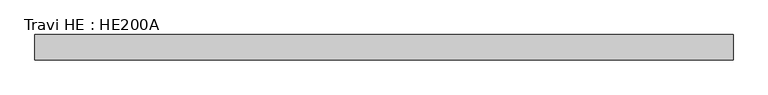
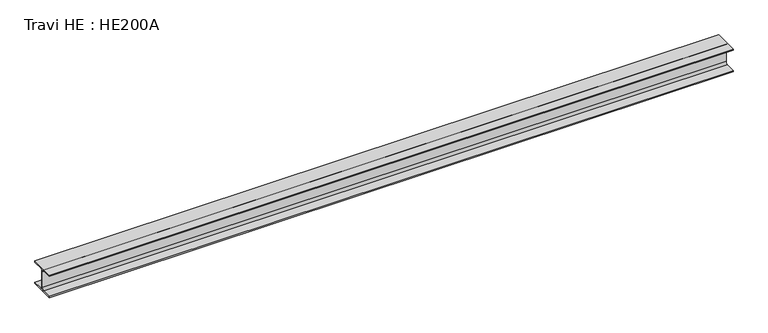
"""IFC4 building model written with IfcOpenShell, lengths in millimetres: beam geometry, Travi HE : HE200A."""

from ifc_helpers import new_model, si_unit, point, frame, frame_2d, origin, place, context, project, spatial, polyline, circle_curve, trimmed, segment, composite_curve, outline, extrude, source, transform, mapped, element, save


def travi_he_he200a_9a17a142(model_context):
    return source(origin(), model_context, "Body", "SweptSolid", [
        extrude(outline(composite_curve([segment(polyline([(100.0, -85.0), (100.0, -95.0), (-100.0, -95.0), (-100.0, -85.0), (-21.25, -85.0)]), True, "CONTINUOUS"), segment(trimmed(circle_curve(frame_2d((-21.25, -67.0)), 18.0), [point((-21.25, -85.0))], [point((-3.25, -67.0))], True, "CARTESIAN"), True, "CONTINUOUS"), segment(polyline([(-3.25, -67.0), (-3.25, 67.0)]), True, "CONTINUOUS"), segment(trimmed(circle_curve(frame_2d((-21.25, 67.0)), 18.0), [point((-3.25, 67.0))], [point((-21.25, 85.0))], True, "CARTESIAN"), True, "CONTINUOUS"), segment(polyline([(-21.25, 85.0), (-100.0, 85.0), (-100.0, 95.0), (100.0, 95.0), (100.0, 85.0), (21.25, 85.0)]), True, "CONTINUOUS"), segment(trimmed(circle_curve(frame_2d((21.25, 67.0)), 18.0), [point((21.25, 85.0))], [point((3.25, 67.0))], True, "CARTESIAN"), True, "CONTINUOUS"), segment(polyline([(3.25, 67.0), (3.25, -67.0)]), True, "CONTINUOUS"), segment(trimmed(circle_curve(frame_2d((21.25, -67.0)), 18.0), [point((3.25, -67.0))], [point((21.25, -85.0))], True, "CARTESIAN"), True, "CONTINUOUS"), segment(polyline([(21.25, -85.0), (100.0, -85.0)]), True, "CONTINUOUS")], self_intersect=False)), frame((-2737.0, 0.0, 0.0), z_axis=(1.0, 0.0, 0.0), x_axis=(0.0, 1.0, 0.0)), (0.0, 0.0, 1.0), 5474.0),
    ])


if __name__ == "__main__":
    model = new_model("IFC4")
    model_context = context("Model", 3, world=origin())
    ifc_project = project(units=[si_unit("LENGTHUNIT", "METRE", prefix="MILLI")], contexts=[model_context])
    site = spatial("IfcSite", under=ifc_project)
    building = spatial("IfcBuilding", under=site)
    placement = place(None, origin())
    travi_he_he200a_shape = travi_he_he200a_9a17a142(model_context)
    element("IfcBeam", 1, ObjectType="Travi HE : HE200A", at=placement, inside=building, context=model_context, shape_type="MappedRepresentation", body=[
        mapped(travi_he_he200a_shape, transform((0.0, 0.0, 0.0), x_axis=(1.0, 0.0, 0.0), y_axis=(0.0, 1.0, 0.0), z_axis=(0.0, 0.0, 1.0))),
    ])
    save(model, "model.ifc")
